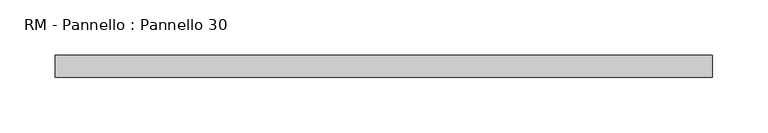
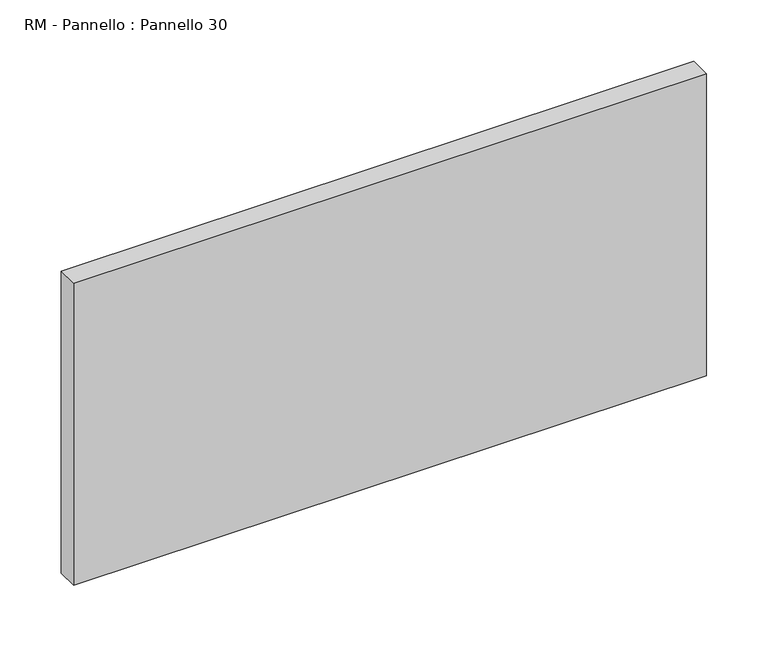
"""IFC4 building model written with IfcOpenShell, lengths in millimetres: plate geometry, RM - Pannello : Pannello 30."""

from ifc_helpers import new_model, si_unit, origin, origin_with_axes, place, context, project, spatial, polyline, outline, extrude, source, transform, mapped, element, save


def rm_pannello_pannello_30_fce92ee6(model_context):
    return source(origin(), model_context, "Body", "SweptSolid", [
        extrude(outline(polyline([(297.0, 200.0), (297.0, 180.0), (-297.0, 180.0), (-297.0, 200.0), (297.0, 200.0)])), origin_with_axes(), (0.0, 0.0, 1.0), 300.0),
    ])


if __name__ == "__main__":
    model = new_model("IFC4")
    model_context = context("Model", 3, world=origin())
    ifc_project = project(units=[si_unit("LENGTHUNIT", "METRE", prefix="MILLI")], contexts=[model_context])
    site = spatial("IfcSite", under=ifc_project)
    building = spatial("IfcBuilding", under=site)
    placement = place(None, origin())
    rm_pannello_pannello_30_shape = rm_pannello_pannello_30_fce92ee6(model_context)
    element("IfcPlate", 1, ObjectType="RM - Pannello : Pannello 30", at=placement, inside=building, context=model_context, shape_type="MappedRepresentation", body=[
        mapped(rm_pannello_pannello_30_shape, transform((0.0, 0.0, 0.0), x_axis=(1.0, 0.0, 0.0), y_axis=(0.0, 1.0, 0.0), z_axis=(0.0, 0.0, 1.0))),
    ])
    save(model, "model.ifc")
